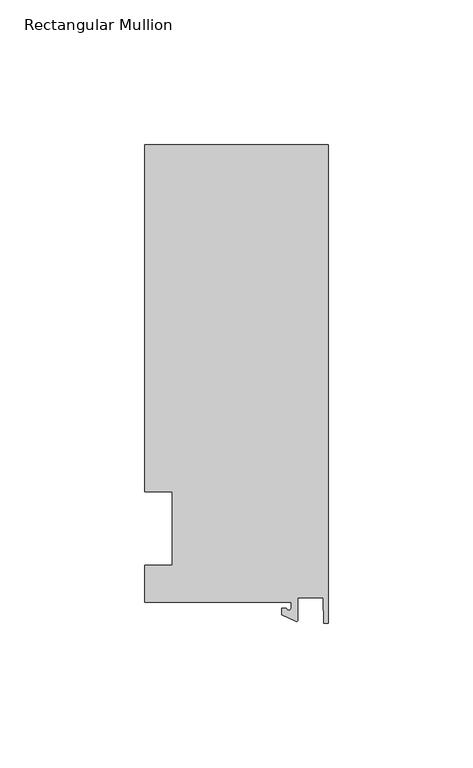
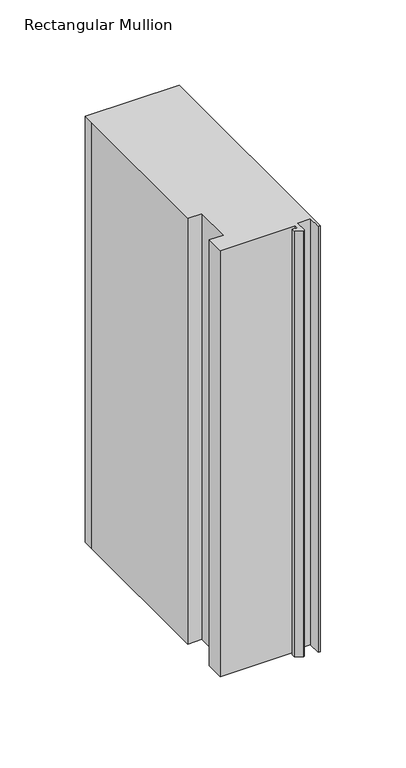
"""IFC4 building model written with IfcOpenShell, lengths in millimetres: member geometry, Rectangular Mullion."""

import ifcopenshell
import ifcopenshell.guid

model = None  # the IFC model being written
_history = None  # IfcOwnerHistory: only IFC2X3 demands one
_inside = {}  # id of a spatial element -> (the spatial element, [elements in it])
_under = {}  # id of a project, library or spatial element -> (it, [spatial elements below it])
_declared = {}  # id of a project -> (the project, [libraries it declares])
_typed = {}  # id of a type object -> (the type object, [elements of that type])
_made_of = {}  # id of a material, layer set ... -> (it, [elements and type objects made of it])


def new_model(schema):
    """Start an empty IFC model of exactly this schema.

    Asked for "IFC4X3", IfcOpenShell would pick the latest addendum, in which some entities
    have other attributes; the version numbers below select the first issue.
    IFC2X3 requires an IfcOwnerHistory on every rooted entity: one is made here for all.
    """
    global model, _history
    if schema == "IFC4X3":
        model = ifcopenshell.file(schema_version=(4, 3, 0, 0))
    else:
        model = ifcopenshell.file(schema=schema)
    _inside.clear()
    _under.clear()
    _declared.clear()
    _typed.clear()
    _made_of.clear()
    _history = None
    if model.schema == "IFC2X3":
        org = make("IfcOrganization", Name="unknown")
        user = make(
            "IfcPersonAndOrganization",
            ThePerson=make("IfcPerson", FamilyName="unknown"),
            TheOrganization=org,
        )
        app = make(
            "IfcApplication",
            ApplicationDeveloper=org,
            Version="unknown",
            ApplicationFullName="unknown",
            ApplicationIdentifier="unknown",
        )
        _history = make(
            "IfcOwnerHistory",
            OwningUser=user,
            OwningApplication=app,
            ChangeAction="ADDED",
            CreationDate=0,
        )
    return model


def make(cls, **values):
    """One entity of the class cls with the attributes given. An attribute that is None is left unset."""
    return model.create_entity(
        cls, **{name: value for name, value in values.items() if value is not None}
    )


def rooted(cls, **values):
    """An entity with a GlobalId (a new one), such as an element, a storey or a relation."""
    return make(cls, GlobalId=ifcopenshell.guid.new(), OwnerHistory=_history, **values)


def si_unit(unit_type, name, prefix=None):
    """IfcSIUnit, for example si_unit("LENGTHUNIT", "METRE", prefix="MILLI")."""
    return make("IfcSIUnit", UnitType=unit_type, Prefix=prefix, Name=name)


def assignment(units):
    """IfcUnitAssignment: the units of a project."""
    return None if units is None else make("IfcUnitAssignment", Units=units)


def point(xyz):
    """IfcCartesianPoint."""
    return None if xyz is None else make("IfcCartesianPoint", Coordinates=xyz)


def direction(xyz):
    """IfcDirection."""
    return None if xyz is None else make("IfcDirection", DirectionRatios=xyz)


def frame(location, z_axis=None, x_axis=None):
    """IfcAxis2Placement3D, a coordinate frame: its origin and axes. An axis left out is left unset."""
    return make(
        "IfcAxis2Placement3D",
        Location=point(location),
        Axis=direction(z_axis),
        RefDirection=direction(x_axis),
    )


def frame_2d(location, x_axis=None):
    """IfcAxis2Placement2D, a coordinate frame in the plane: its origin and x axis."""
    return make(
        "IfcAxis2Placement2D", Location=point(location), RefDirection=direction(x_axis)
    )


def origin():
    """The frame at (0, 0, 0) with its axes left unset."""
    return frame((0.0, 0.0, 0.0))


def place(relative_to, where):
    """IfcLocalPlacement: puts the frame where relative to a parent placement (None: the world)."""
    return make(
        "IfcLocalPlacement", PlacementRelTo=relative_to, RelativePlacement=where
    )


def context(
    kind, dimensions, precision=None, world=None, true_north=None, identifier=None
):
    """IfcGeometricRepresentationContext, for example the 3D "Model" context."""
    return make(
        "IfcGeometricRepresentationContext",
        ContextIdentifier=identifier,
        ContextType=kind,
        CoordinateSpaceDimension=dimensions,
        Precision=precision,
        WorldCoordinateSystem=world,
        TrueNorth=true_north,
    )


def project(units=None, contexts=None):
    """IfcProject with its units and contexts."""
    return rooted(
        "IfcProject",
        Name="project",
        RepresentationContexts=contexts,
        UnitsInContext=assignment(units),
    )


def spatial(cls, under=None, at=None, **own):
    """A site, building, storey or space (cls), placed at a placement, below another one or the project."""
    s = rooted(cls, ObjectPlacement=at, **own)
    if under is not None:
        _under.setdefault(under.id(), (under, []))[1].append(s)
    return s


def polyline(points):
    """IfcPolyline through the points."""
    return make("IfcPolyline", Points=[point(p) for p in points])


def circle_curve(where, radius):
    """IfcCircle in the frame where."""
    return make("IfcCircle", Position=where, Radius=radius)


def trimmed(basis, trim1, trim2, sense, master):
    """IfcTrimmedCurve: the piece of a basis curve between two trims."""
    return make(
        "IfcTrimmedCurve",
        BasisCurve=basis,
        Trim1=trim1,
        Trim2=trim2,
        SenseAgreement=sense,
        MasterRepresentation=master,
    )


def segment(curve, same_sense, transition):
    """IfcCompositeCurveSegment."""
    return make(
        "IfcCompositeCurveSegment",
        Transition=transition,
        SameSense=same_sense,
        ParentCurve=curve,
    )


def composite_curve(segments, self_intersect=None):
    """IfcCompositeCurve: segments joined end to end."""
    return make("IfcCompositeCurve", Segments=segments, SelfIntersect=self_intersect)


def outline(outer, holes=None, kind="AREA"):
    """IfcArbitraryClosedProfileDef: a profile drawn as a closed curve; with holes, ...WithVoids."""
    if holes is None:
        return make("IfcArbitraryClosedProfileDef", ProfileType=kind, OuterCurve=outer)
    return make(
        "IfcArbitraryProfileDefWithVoids",
        ProfileType=kind,
        OuterCurve=outer,
        InnerCurves=holes,
    )


def extrude(swept, where, along, depth):
    """IfcExtrudedAreaSolid: the profile swept, set in the frame where, extruded along a direction by depth."""
    return make(
        "IfcExtrudedAreaSolid",
        SweptArea=swept,
        Position=where,
        ExtrudedDirection=direction(along),
        Depth=depth,
    )


def shape(context_of_items, identifier, shape_type, items):
    """IfcShapeRepresentation: the items that make up one representation, for example the "Body"."""
    return make(
        "IfcShapeRepresentation",
        ContextOfItems=context_of_items,
        RepresentationIdentifier=identifier,
        RepresentationType=shape_type,
        Items=items,
    )


def source(mapping_origin, context_of_items, identifier, shape_type, items):
    """IfcRepresentationMap: a shape defined once, which mapped items show again and again."""
    return make(
        "IfcRepresentationMap",
        MappingOrigin=mapping_origin,
        MappedRepresentation=shape(context_of_items, identifier, shape_type, items),
    )


def transform(
    local_origin,
    x_axis=None,
    y_axis=None,
    z_axis=None,
    scale=None,
    scale2=None,
    scale3=None,
    uniform=True,
):
    """IfcCartesianTransformationOperator3D, or its non-uniform kind. x_axis, y_axis, z_axis: its Axis1, 2, 3."""
    if uniform:
        return make(
            "IfcCartesianTransformationOperator3D",
            Axis1=direction(x_axis),
            Axis2=direction(y_axis),
            LocalOrigin=point(local_origin),
            Scale=scale,
            Axis3=direction(z_axis),
        )
    return make(
        "IfcCartesianTransformationOperator3DnonUniform",
        Axis1=direction(x_axis),
        Axis2=direction(y_axis),
        LocalOrigin=point(local_origin),
        Scale=scale,
        Axis3=direction(z_axis),
        Scale2=scale2,
        Scale3=scale3,
    )


def mapped(mapping_source, mapping_target):
    """IfcMappedItem: shows the shape of a source again, moved by a transform."""
    return make(
        "IfcMappedItem", MappingSource=mapping_source, MappingTarget=mapping_target
    )


def made_of(thing, what):
    """Note that an element or type object is made of a material, layer set ...; save() writes the relation."""
    if what is not None:
        _made_of.setdefault(what.id(), (what, []))[1].append(thing)
    return thing


def element(
    cls,
    number,
    at=None,
    inside=None,
    cuts=None,
    type_object=None,
    material=None,
    context=None,
    identifier="Body",
    shape_type=None,
    held_by="IfcProductDefinitionShape",
    body=None,
    shapes=None,
    **own,
):
    """One element of the class cls, such as IfcWall. Its Tag is "e" and its number.

    at: its placement. inside: the storey or other place that contains it. cuts: it is an
    opening in that element (IfcRelVoidsElement). A single representation is given by context,
    identifier, shape_type and body (its items); several are given by shapes. held_by: the class
    of the entity that holds the representations. save() writes the other relations.
    """
    e = rooted(cls, Tag="e%d" % number, ObjectPlacement=at, **own)
    if body is not None:
        shapes = [shape(context, identifier, shape_type, body)]
    if shapes is not None:
        e.Representation = make(held_by, Representations=shapes)
    if inside is not None:
        _inside.setdefault(inside.id(), (inside, []))[1].append(e)
    if cuts is not None:
        rooted(
            "IfcRelVoidsElement", RelatingBuildingElement=cuts, RelatedOpeningElement=e
        )
    if type_object is not None:
        _typed.setdefault(type_object.id(), (type_object, []))[1].append(e)
    return made_of(e, material)


def aggregate(whole, parts):
    """IfcRelAggregates: a whole, such as a stair, and the parts it consists of."""
    return rooted("IfcRelAggregates", RelatingObject=whole, RelatedObjects=parts)


def save(model, path):
    """Write the relations noted so far, then the file.

    IfcRelAggregates (storeys below a building ...), IfcRelContainedInSpatialStructure (elements
    in a storey), IfcRelDefinesByType, IfcRelAssociatesMaterial and IfcRelDeclares: one each for
    every whole, place, type object, material and project.
    """
    for whole, parts in _under.values():
        aggregate(whole, parts)
    for where, things in _inside.values():
        rooted(
            "IfcRelContainedInSpatialStructure",
            RelatedElements=things,
            RelatingStructure=where,
        )
    for kind, things in _typed.values():
        rooted("IfcRelDefinesByType", RelatedObjects=things, RelatingType=kind)
    for what, things in _made_of.values():
        rooted("IfcRelAssociatesMaterial", RelatedObjects=things, RelatingMaterial=what)
    for by, libraries in _declared.values():
        rooted("IfcRelDeclares", RelatingContext=by, RelatedDefinitions=libraries)
    model.write(path)


def rectangular_mullion_416d350e(model_context):
    return source(origin(), model_context, "Body", "SweptSolid", [
        extrude(outline(composite_curve([segment(polyline([(-12.8216721, -25.5984375), (-63.5, -25.5984375), (-63.5, -12.7), (-53.975, -12.7), (-53.975, 12.7), (-63.5, 12.7), (-63.5, 125.075512), (-63.5, 132.822512), (0.0, 132.822512), (0.0, -32.810012), (-1.5566453, -32.810012), (-1.7144124, -23.9227662), (-10.4340721, -23.9227662), (-10.4340721, -31.6795354)]), True, "CONTINUOUS"), segment(trimmed(circle_curve(frame_2d((-10.9420721, -31.6795354)), 0.508), [point((-10.4340721, -31.6795354))], [point((-11.1567622, -32.1399398))], False, "CARTESIAN"), True, "CONTINUOUS"), segment(polyline([(-11.1567622, -32.1399398), (-15.9966721, -29.8830527), (-15.9966721, -27.5208534), (-14.4091721, -27.5208534)]), True, "CONTINUOUS"), segment(trimmed(circle_curve(frame_2d((-13.6154221, -27.5208534)), 0.79375), [point((-14.4091721, -27.5208534))], [point((-12.8216721, -27.5208534))], True, "CARTESIAN"), True, "CONTINUOUS"), segment(polyline([(-12.8216721, -27.5208534), (-12.8216721, -25.5984375)]), True, "CONTINUOUS")], self_intersect=False)), frame((0.0, 0.0, -304.8), z_axis=(0.0, 0.0, 1.0), x_axis=(1.0, 0.0, 0.0)), (0.0, 0.0, 1.0), 304.8),
    ])


if __name__ == "__main__":
    model = new_model("IFC4")
    model_context = context("Model", 3, world=origin())
    ifc_project = project(units=[si_unit("LENGTHUNIT", "METRE", prefix="MILLI")], contexts=[model_context])
    site = spatial("IfcSite", under=ifc_project)
    building = spatial("IfcBuilding", under=site)
    placement = place(None, origin())
    rectangular_mullion_shape = rectangular_mullion_416d350e(model_context)
    element("IfcMember", 1, ObjectType="Rectangular Mullion", at=placement, inside=building, context=model_context, shape_type="MappedRepresentation", body=[
        mapped(rectangular_mullion_shape, transform((0.0, 0.0, 0.0), x_axis=(1.0, 0.0, 0.0), y_axis=(0.0, 1.0, 0.0), z_axis=(0.0, 0.0, 1.0))),
    ])
    save(model, "model.ifc")
